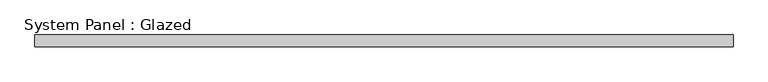
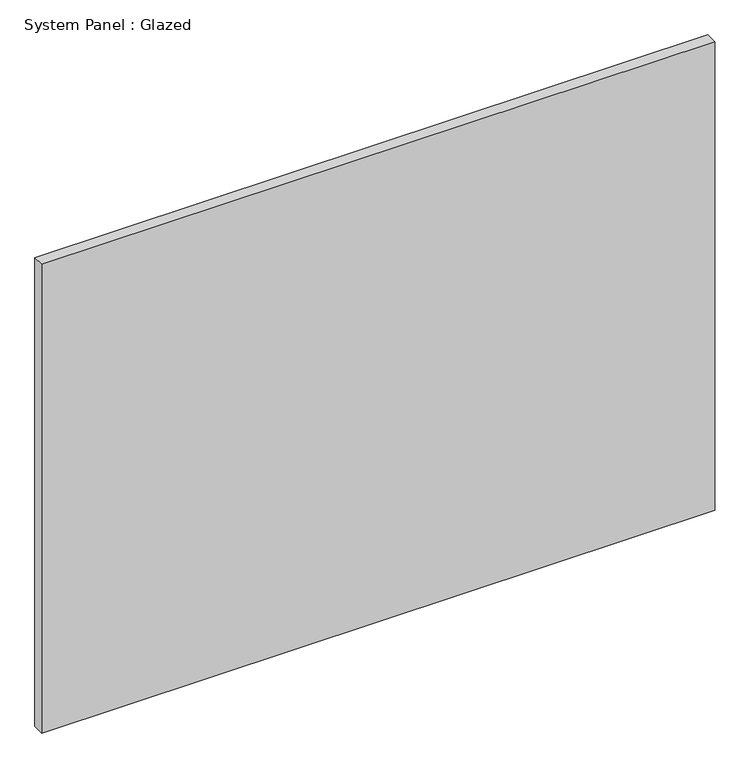
"""IFC4 building model written with IfcOpenShell, lengths in millimetres: plate geometry, System Panel : Glazed."""

from ifc_helpers import new_model, si_unit, origin, origin_with_axes, place, context, project, spatial, polyline, outline, extrude, source, transform, mapped, element, save


def system_panel_glazed_5cdfd294(model_context):
    return source(origin(), model_context, "Body", "SweptSolid", [
        extrude(outline(polyline([(733.5358287, -12.7), (-733.5358287, -12.7), (-733.5358287, 12.7), (733.5358287, 12.7), (733.5358287, -12.7)])), origin_with_axes(), (0.0, 0.0, 1.0), 1080.0),
    ])


if __name__ == "__main__":
    model = new_model("IFC4")
    model_context = context("Model", 3, world=origin())
    ifc_project = project(units=[si_unit("LENGTHUNIT", "METRE", prefix="MILLI")], contexts=[model_context])
    site = spatial("IfcSite", under=ifc_project)
    building = spatial("IfcBuilding", under=site)
    placement = place(None, origin())
    system_panel_glazed_shape = system_panel_glazed_5cdfd294(model_context)
    element("IfcPlate", 1, ObjectType="System Panel : Glazed", at=placement, inside=building, context=model_context, shape_type="MappedRepresentation", body=[
        mapped(system_panel_glazed_shape, transform((0.0, 0.0, 0.0), x_axis=(1.0, 0.0, 0.0), y_axis=(0.0, 1.0, 0.0), z_axis=(0.0, 0.0, 1.0))),
    ])
    save(model, "model.ifc")
